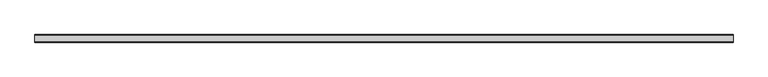
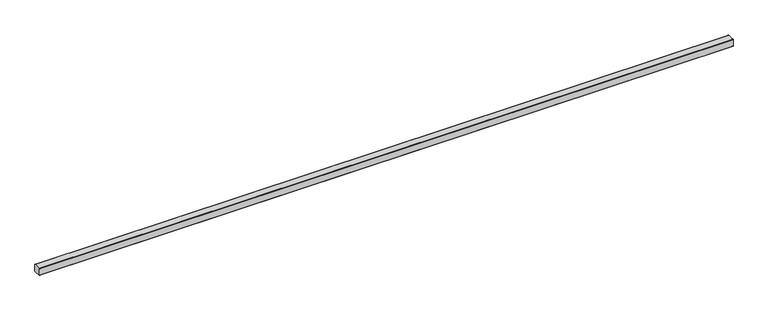
"""IFC4 building model written with IfcOpenShell, lengths in millimetres: beam geometry."""

from ifc_helpers import new_model, si_unit, point, frame, frame_2d, origin, place, context, project, spatial, polyline, circle_curve, trimmed, segment, composite_curve, outline, extrude, source, transform, mapped, element, save


def beam_477b0dde(model_context):
    return source(origin(), model_context, "Body", "SweptSolid", [
        extrude(outline(composite_curve([segment(polyline([(49.0, 44.0), (49.0, -44.0)]), True, "CONTINUOUS"), segment(trimmed(circle_curve(frame_2d((44.0, -44.0)), 5.0), [point((49.0, -44.0))], [point((44.0, -49.0))], False, "CARTESIAN"), True, "CONTINUOUS"), segment(polyline([(44.0, -49.0), (-44.0, -49.0)]), True, "CONTINUOUS"), segment(trimmed(circle_curve(frame_2d((-44.0, -44.0)), 5.0), [point((-44.0, -49.0))], [point((-49.0, -44.0))], False, "CARTESIAN"), True, "CONTINUOUS"), segment(polyline([(-49.0, -44.0), (-49.0, 44.0)]), True, "CONTINUOUS"), segment(trimmed(circle_curve(frame_2d((-44.0, 44.0)), 5.0), [point((-49.0, 44.0))], [point((-44.0, 49.0))], False, "CARTESIAN"), True, "CONTINUOUS"), segment(polyline([(-44.0, 49.0), (44.0, 49.0)]), True, "CONTINUOUS"), segment(trimmed(circle_curve(frame_2d((44.0, 44.0)), 5.0), [point((44.0, 49.0))], [point((49.0, 44.0))], False, "CARTESIAN"), True, "CONTINUOUS")], self_intersect=False)), frame((-4500.0, 0.0, 0.0), z_axis=(1.0, 0.0, 0.0), x_axis=(0.0, 1.0, 0.0)), (0.0, 0.0, 1.0), 9000.0),
    ])


if __name__ == "__main__":
    model = new_model("IFC4")
    model_context = context("Model", 3, world=origin())
    ifc_project = project(units=[si_unit("LENGTHUNIT", "METRE", prefix="MILLI")], contexts=[model_context])
    site = spatial("IfcSite", under=ifc_project)
    building = spatial("IfcBuilding", under=site)
    placement = place(None, origin())
    beam_shape = beam_477b0dde(model_context)
    element("IfcBeam", 1, at=placement, inside=building, context=model_context, shape_type="MappedRepresentation", body=[
        mapped(beam_shape, transform((0.0, 0.0, 0.0), x_axis=(1.0, 0.0, 0.0), y_axis=(0.0, 1.0, 0.0), z_axis=(0.0, 0.0, 1.0))),
    ])
    save(model, "model.ifc")
